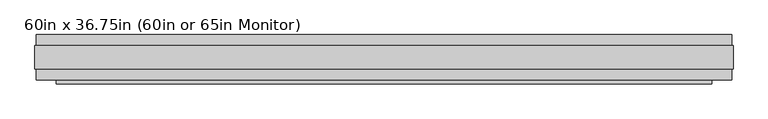
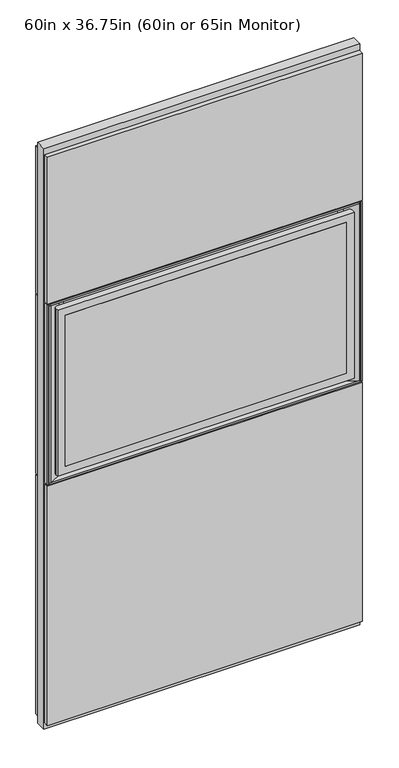
"""IFC4 building model written with IfcOpenShell, lengths in millimetres: plate geometry, 60in x 36.75in (60in or 65in Monitor)."""

import ifcopenshell
import ifcopenshell.guid

model = None  # the IFC model being written
_history = None  # IfcOwnerHistory: only IFC2X3 demands one
_inside = {}  # id of a spatial element -> (the spatial element, [elements in it])
_under = {}  # id of a project, library or spatial element -> (it, [spatial elements below it])
_declared = {}  # id of a project -> (the project, [libraries it declares])
_typed = {}  # id of a type object -> (the type object, [elements of that type])
_made_of = {}  # id of a material, layer set ... -> (it, [elements and type objects made of it])


def new_model(schema):
    """Start an empty IFC model of exactly this schema.

    Asked for "IFC4X3", IfcOpenShell would pick the latest addendum, in which some entities
    have other attributes; the version numbers below select the first issue.
    IFC2X3 requires an IfcOwnerHistory on every rooted entity: one is made here for all.
    """
    global model, _history
    if schema == "IFC4X3":
        model = ifcopenshell.file(schema_version=(4, 3, 0, 0))
    else:
        model = ifcopenshell.file(schema=schema)
    _inside.clear()
    _under.clear()
    _declared.clear()
    _typed.clear()
    _made_of.clear()
    _history = None
    if model.schema == "IFC2X3":
        org = make("IfcOrganization", Name="unknown")
        user = make(
            "IfcPersonAndOrganization",
            ThePerson=make("IfcPerson", FamilyName="unknown"),
            TheOrganization=org,
        )
        app = make(
            "IfcApplication",
            ApplicationDeveloper=org,
            Version="unknown",
            ApplicationFullName="unknown",
            ApplicationIdentifier="unknown",
        )
        _history = make(
            "IfcOwnerHistory",
            OwningUser=user,
            OwningApplication=app,
            ChangeAction="ADDED",
            CreationDate=0,
        )
    return model


def make(cls, **values):
    """One entity of the class cls with the attributes given. An attribute that is None is left unset."""
    return model.create_entity(
        cls, **{name: value for name, value in values.items() if value is not None}
    )


def rooted(cls, **values):
    """An entity with a GlobalId (a new one), such as an element, a storey or a relation."""
    return make(cls, GlobalId=ifcopenshell.guid.new(), OwnerHistory=_history, **values)


def si_unit(unit_type, name, prefix=None):
    """IfcSIUnit, for example si_unit("LENGTHUNIT", "METRE", prefix="MILLI")."""
    return make("IfcSIUnit", UnitType=unit_type, Prefix=prefix, Name=name)


def assignment(units):
    """IfcUnitAssignment: the units of a project."""
    return None if units is None else make("IfcUnitAssignment", Units=units)


def point(xyz):
    """IfcCartesianPoint."""
    return None if xyz is None else make("IfcCartesianPoint", Coordinates=xyz)


def direction(xyz):
    """IfcDirection."""
    return None if xyz is None else make("IfcDirection", DirectionRatios=xyz)


def frame(location, z_axis=None, x_axis=None):
    """IfcAxis2Placement3D, a coordinate frame: its origin and axes. An axis left out is left unset."""
    return make(
        "IfcAxis2Placement3D",
        Location=point(location),
        Axis=direction(z_axis),
        RefDirection=direction(x_axis),
    )


def frame_2d(location, x_axis=None):
    """IfcAxis2Placement2D, a coordinate frame in the plane: its origin and x axis."""
    return make(
        "IfcAxis2Placement2D", Location=point(location), RefDirection=direction(x_axis)
    )


def origin():
    """The frame at (0, 0, 0) with its axes left unset."""
    return frame((0.0, 0.0, 0.0))


def place(relative_to, where):
    """IfcLocalPlacement: puts the frame where relative to a parent placement (None: the world)."""
    return make(
        "IfcLocalPlacement", PlacementRelTo=relative_to, RelativePlacement=where
    )


def context(
    kind, dimensions, precision=None, world=None, true_north=None, identifier=None
):
    """IfcGeometricRepresentationContext, for example the 3D "Model" context."""
    return make(
        "IfcGeometricRepresentationContext",
        ContextIdentifier=identifier,
        ContextType=kind,
        CoordinateSpaceDimension=dimensions,
        Precision=precision,
        WorldCoordinateSystem=world,
        TrueNorth=true_north,
    )


def project(units=None, contexts=None):
    """IfcProject with its units and contexts."""
    return rooted(
        "IfcProject",
        Name="project",
        RepresentationContexts=contexts,
        UnitsInContext=assignment(units),
    )


def spatial(cls, under=None, at=None, **own):
    """A site, building, storey or space (cls), placed at a placement, below another one or the project."""
    s = rooted(cls, ObjectPlacement=at, **own)
    if under is not None:
        _under.setdefault(under.id(), (under, []))[1].append(s)
    return s


def polyline(points):
    """IfcPolyline through the points."""
    return make("IfcPolyline", Points=[point(p) for p in points])


def circle_curve(where, radius):
    """IfcCircle in the frame where."""
    return make("IfcCircle", Position=where, Radius=radius)


def trimmed(basis, trim1, trim2, sense, master):
    """IfcTrimmedCurve: the piece of a basis curve between two trims."""
    return make(
        "IfcTrimmedCurve",
        BasisCurve=basis,
        Trim1=trim1,
        Trim2=trim2,
        SenseAgreement=sense,
        MasterRepresentation=master,
    )


def segment(curve, same_sense, transition):
    """IfcCompositeCurveSegment."""
    return make(
        "IfcCompositeCurveSegment",
        Transition=transition,
        SameSense=same_sense,
        ParentCurve=curve,
    )


def composite_curve(segments, self_intersect=None):
    """IfcCompositeCurve: segments joined end to end."""
    return make("IfcCompositeCurve", Segments=segments, SelfIntersect=self_intersect)


def outline(outer, holes=None, kind="AREA"):
    """IfcArbitraryClosedProfileDef: a profile drawn as a closed curve; with holes, ...WithVoids."""
    if holes is None:
        return make("IfcArbitraryClosedProfileDef", ProfileType=kind, OuterCurve=outer)
    return make(
        "IfcArbitraryProfileDefWithVoids",
        ProfileType=kind,
        OuterCurve=outer,
        InnerCurves=holes,
    )


def extrude(swept, where, along, depth):
    """IfcExtrudedAreaSolid: the profile swept, set in the frame where, extruded along a direction by depth."""
    return make(
        "IfcExtrudedAreaSolid",
        SweptArea=swept,
        Position=where,
        ExtrudedDirection=direction(along),
        Depth=depth,
    )


def faces_of(points, faces, orient=None, outer=None):
    """IfcFace entities. A face is a list of loops; a loop is a list of indices into points, from 0.

    orient and outer hold one flag for each loop. By default every Orientation is true, the
    first loop of a face is its IfcFaceOuterBound and the others are IfcFaceBound.
    """
    made = []
    for i, loops in enumerate(faces):
        bounds = []
        for j, loop in enumerate(loops):
            is_outer = j == 0 if outer is None else outer[i][j]
            bounds.append(
                make(
                    "IfcFaceOuterBound" if is_outer else "IfcFaceBound",
                    Bound=make("IfcPolyLoop", Polygon=[points[k] for k in loop]),
                    Orientation=True if orient is None else orient[i][j],
                )
            )
        made.append(make("IfcFace", Bounds=bounds))
    return made


def faceted_brep(points, faces, orient=None, outer=None, voids=None):
    """IfcFacetedBrep: a solid bounded by flat faces; with voids (closed shells), ...WithVoids."""
    shared = [point(p) for p in points]
    hull = make("IfcClosedShell", CfsFaces=faces_of(shared, faces, orient, outer))
    if voids is None:
        return make("IfcFacetedBrep", Outer=hull)
    return make(
        "IfcFacetedBrepWithVoids",
        Outer=hull,
        Voids=[
            make(cls, CfsFaces=faces_of(shared, fs, o, b)) for cls, fs, o, b in voids
        ],
    )


def shape(context_of_items, identifier, shape_type, items):
    """IfcShapeRepresentation: the items that make up one representation, for example the "Body"."""
    return make(
        "IfcShapeRepresentation",
        ContextOfItems=context_of_items,
        RepresentationIdentifier=identifier,
        RepresentationType=shape_type,
        Items=items,
    )


def source(mapping_origin, context_of_items, identifier, shape_type, items):
    """IfcRepresentationMap: a shape defined once, which mapped items show again and again."""
    return make(
        "IfcRepresentationMap",
        MappingOrigin=mapping_origin,
        MappedRepresentation=shape(context_of_items, identifier, shape_type, items),
    )


def transform(
    local_origin,
    x_axis=None,
    y_axis=None,
    z_axis=None,
    scale=None,
    scale2=None,
    scale3=None,
    uniform=True,
):
    """IfcCartesianTransformationOperator3D, or its non-uniform kind. x_axis, y_axis, z_axis: its Axis1, 2, 3."""
    if uniform:
        return make(
            "IfcCartesianTransformationOperator3D",
            Axis1=direction(x_axis),
            Axis2=direction(y_axis),
            LocalOrigin=point(local_origin),
            Scale=scale,
            Axis3=direction(z_axis),
        )
    return make(
        "IfcCartesianTransformationOperator3DnonUniform",
        Axis1=direction(x_axis),
        Axis2=direction(y_axis),
        LocalOrigin=point(local_origin),
        Scale=scale,
        Axis3=direction(z_axis),
        Scale2=scale2,
        Scale3=scale3,
    )


def mapped(mapping_source, mapping_target):
    """IfcMappedItem: shows the shape of a source again, moved by a transform."""
    return make(
        "IfcMappedItem", MappingSource=mapping_source, MappingTarget=mapping_target
    )


def made_of(thing, what):
    """Note that an element or type object is made of a material, layer set ...; save() writes the relation."""
    if what is not None:
        _made_of.setdefault(what.id(), (what, []))[1].append(thing)
    return thing


def element(
    cls,
    number,
    at=None,
    inside=None,
    cuts=None,
    type_object=None,
    material=None,
    context=None,
    identifier="Body",
    shape_type=None,
    held_by="IfcProductDefinitionShape",
    body=None,
    shapes=None,
    **own,
):
    """One element of the class cls, such as IfcWall. Its Tag is "e" and its number.

    at: its placement. inside: the storey or other place that contains it. cuts: it is an
    opening in that element (IfcRelVoidsElement). A single representation is given by context,
    identifier, shape_type and body (its items); several are given by shapes. held_by: the class
    of the entity that holds the representations. save() writes the other relations.
    """
    e = rooted(cls, Tag="e%d" % number, ObjectPlacement=at, **own)
    if body is not None:
        shapes = [shape(context, identifier, shape_type, body)]
    if shapes is not None:
        e.Representation = make(held_by, Representations=shapes)
    if inside is not None:
        _inside.setdefault(inside.id(), (inside, []))[1].append(e)
    if cuts is not None:
        rooted(
            "IfcRelVoidsElement", RelatingBuildingElement=cuts, RelatedOpeningElement=e
        )
    if type_object is not None:
        _typed.setdefault(type_object.id(), (type_object, []))[1].append(e)
    return made_of(e, material)


def aggregate(whole, parts):
    """IfcRelAggregates: a whole, such as a stair, and the parts it consists of."""
    return rooted("IfcRelAggregates", RelatingObject=whole, RelatedObjects=parts)


def save(model, path):
    """Write the relations noted so far, then the file.

    IfcRelAggregates (storeys below a building ...), IfcRelContainedInSpatialStructure (elements
    in a storey), IfcRelDefinesByType, IfcRelAssociatesMaterial and IfcRelDeclares: one each for
    every whole, place, type object, material and project.
    """
    for whole, parts in _under.values():
        aggregate(whole, parts)
    for where, things in _inside.values():
        rooted(
            "IfcRelContainedInSpatialStructure",
            RelatedElements=things,
            RelatingStructure=where,
        )
    for kind, things in _typed.values():
        rooted("IfcRelDefinesByType", RelatedObjects=things, RelatingType=kind)
    for what, things in _made_of.values():
        rooted("IfcRelAssociatesMaterial", RelatedObjects=things, RelatingMaterial=what)
    for by, libraries in _declared.values():
        rooted("IfcRelDeclares", RelatingContext=by, RelatedDefinitions=libraries)
    model.write(path)


def plane_surface(at):
    """IfcPlane: the flat surface through the origin of the frame at, square to its z axis."""
    return make("IfcPlane", Position=at)


def cylinder_surface(at, radius):
    """IfcCylindricalSurface: all points at the distance radius from the z axis of the frame at."""
    return make("IfcCylindricalSurface", Position=at, Radius=radius)


def advanced_brep(points, edges, surfaces, faces):
    """IfcAdvancedBrep: a solid bounded by faces that lie on surfaces and meet in shared edges.

    An edge is (start, end): straight between two places in points (the first is 0);
    or (start, end, curve); or (start, end, curve, False) where it runs against its curve.
    A face is (place in surfaces, loops), or (place, loops, False) where it looks against
    its surface's normal. A loop lists edges by number (the first is 1), with a minus sign
    where the edge is run from its end to its start. The first loop is the outer one.
    """
    corners = [point(p) for p in points]
    vertices = [make("IfcVertexPoint", VertexGeometry=c) for c in corners]
    made = []
    for start, end, *more in edges:
        made.append(
            make(
                "IfcEdgeCurve",
                EdgeStart=vertices[start],
                EdgeEnd=vertices[end],
                EdgeGeometry=more[0] if more else make("IfcPolyline", Points=[corners[start], corners[end]]),
                SameSense=more[1] if len(more) > 1 else True,
            )
        )
    hull = []
    for where, loops, *sense in faces:
        bounds = []
        for j, loop in enumerate(loops):
            ring = [make("IfcOrientedEdge", EdgeElement=made[abs(k) - 1], Orientation=k > 0) for k in loop]
            bounds.append(
                make(
                    "IfcFaceOuterBound" if j == 0 else "IfcFaceBound",
                    Bound=make("IfcEdgeLoop", EdgeList=ring),
                    Orientation=True,
                )
            )
        hull.append(make("IfcAdvancedFace", Bounds=bounds, FaceSurface=surfaces[where], SameSense=sense[0] if sense else True))
    return make("IfcAdvancedBrep", Outer=make("IfcClosedShell", CfsFaces=hull))


def plate_60in_x_36_75in_60in_or_65in_monitor_cc830bbf(model_context):
    return source(origin(), model_context, "Body", "SolidModel", [
        advanced_brep(
        [(723.9, -44.7032, 2165.35), (708.66, -29.4632, 2165.35), (-708.66, -29.4632, 2165.35), (-723.9, -44.7032, 2165.35), (-723.9, -58.9272, 2165.35), (723.9, -58.9272, 2165.35), (723.9, -44.7032, 1308.1), (723.9, -58.9272, 1308.1), (-723.9, -58.9272, 1308.1), (-723.9, -44.7032, 1308.1), (-708.66, -29.4632, 1308.1), (708.66, -29.4632, 1308.1), (-685.8, -58.9272, 1346.2), (-685.8, -58.9272, 2127.25), (685.8, -58.9272, 2127.25), (685.8, -58.9272, 1346.2), (-685.8, -56.3872, 2127.25), (-685.8, -56.3872, 1346.2), (685.8, -56.3872, 1346.2), (685.8, -56.3872, 2127.25)],
        [
            (0, 1, circle_curve(frame((708.66, -44.7032, 2165.35), z_axis=(0.0, 0.0, 1.0), x_axis=(0.0, -1.0000000000000007, 0.0)), 15.24)),
            (1, 2),
            (2, 3, circle_curve(frame((-708.66, -44.7032, 2165.35), z_axis=(0.0, 0.0, 1.0), x_axis=(0.0, -1.0000000000000007, 0.0)), 15.24)),
            (3, 4),
            (4, 5),
            (5, 0),
            (6, 7),
            (7, 8),
            (8, 9),
            (9, 10, circle_curve(frame((-708.66, -44.7032, 1308.1), z_axis=(0.0, 0.0, -1.0), x_axis=(0.0, -1.0000000000000007, 0.0)), 15.24)),
            (10, 11),
            (11, 6, circle_curve(frame((708.66, -44.7032, 1308.1), z_axis=(0.0, 0.0, -1.0), x_axis=(0.0, -1.0000000000000007, 0.0)), 15.24)),
            (0, 6),
            (11, 1),
            (10, 2),
            (9, 3),
            (8, 4),
            (7, 5),
            (12, 13),
            (13, 14),
            (14, 15),
            (15, 12),
            (16, 17),
            (17, 18),
            (18, 19),
            (19, 16),
            (16, 13),
            (12, 17),
            (15, 18),
            (14, 19),
        ],
        [
            plane_surface(frame((708.66, -59.9432, 2165.35), z_axis=(0.0, 0.0, 1.0), x_axis=(1.0, 0.0, 0.0))),
            plane_surface(frame((708.66, -59.9432, 1308.1), z_axis=(0.0, 0.0, -1.0), x_axis=(-1.0, 0.0, 0.0))),
            cylinder_surface(frame((708.66, -44.7032, 1308.1), z_axis=(0.0, 0.0, 1.0), x_axis=(0.0, -1.0000000000000007, 0.0)), 15.24),
            plane_surface(frame((708.66, -29.4632, 2165.35), z_axis=(0.0, 1.0, 0.0), x_axis=(0.0, 0.0, -1.0))),
            cylinder_surface(frame((-708.66, -44.7032, 1308.1), z_axis=(0.0, 0.0, 1.0), x_axis=(0.0, -1.0000000000000007, 0.0)), 15.24),
            plane_surface(frame((-723.9, -44.7032, 2165.35), z_axis=(-1.0, 0.0, 0.0), x_axis=(0.0, 0.0, -1.0))),
            plane_surface(frame((-723.9, -58.9272, 2165.35), z_axis=(0.0, -1.0, 0.0), x_axis=(0.0, 0.0, -1.0))),
            plane_surface(frame((723.9, -58.9272, 2165.35), z_axis=(1.0, 0.0, 0.0), x_axis=(0.0, 0.0, -1.0))),
            plane_surface(frame((-685.8, -56.3872, 2127.25), z_axis=(0.0, -1.0, 0.0), x_axis=(0.0, 0.0, 1.0))),
            plane_surface(frame((-685.8, -58.9272, 2127.25), z_axis=(1.0, 0.0, 0.0), x_axis=(0.0, 1.0, 0.0))),
            plane_surface(frame((-685.8, -58.9272, 1346.2), z_axis=(0.0, 0.0, 1.0), x_axis=(0.0, 1.0, 0.0))),
            plane_surface(frame((685.8, -58.9272, 1346.2), z_axis=(-1.0, 0.0, 0.0), x_axis=(0.0, 1.0, 0.0))),
            plane_surface(frame((685.8, -58.9272, 2127.25), z_axis=(0.0, 0.0, -1.0), x_axis=(0.0, 1.0, 0.0))),
        ],
        [
            (0, [[1, 2, 3, 4, 5, 6]]),
            (1, [[7, 8, 9, 10, 11, 12]]),
            (2, [[-1, 13, -12, 14]]),
            (3, [[-2, -14, -11, 15]]),
            (4, [[-3, -15, -10, 16]]),
            (5, [[-4, -16, -9, 17]]),
            (6, [[-5, -17, -8, 18], [19, 20, 21, 22]]),
            (7, [[-6, -18, -7, -13]]),
            (8, [[23, 24, 25, 26]]),
            (9, [[-23, 27, -19, 28]]),
            (10, [[-24, -28, -22, 29]]),
            (11, [[-25, -29, -21, 30]]),
            (12, [[-26, -30, -20, -27]]),
        ],
    ),
        extrude(outline(polyline([(685.8, -58.9272), (-685.8, -58.9272), (-685.8, -56.3872), (685.8, -56.3872), (685.8, -58.9272)])), frame((0.0, 0.0, 1346.2), z_axis=(0.0, 0.0, 1.0), x_axis=(1.0, 0.0, 0.0)), (0.0, 0.0, 1.0), 781.05),
        extrude(outline(polyline([(-768.5151, -25.9961), (768.5151, -25.9961), (768.5151, -49.9991), (-768.5151, -49.9991), (-768.5151, -25.9961)])), frame((0.0, 0.0, 2206.4599), z_axis=(0.0, 0.0, 1.0), x_axis=(1.0, 0.0, 0.0)), (0.0, 0.0, 1.0), 758.7361),
        extrude(outline(polyline([(-768.5151, -25.9961), (-765.0099, -25.9961), (-765.0099, -49.9991), (-768.5151, -49.9991), (-768.5151, -25.9961)])), frame((0.0, 0.0, 1273.0099), z_axis=(0.0, 0.0, 1.0), x_axis=(1.0, 0.0, 0.0)), (0.0, 0.0, 1.0), 927.4302),
        extrude(outline(polyline([(765.0099, -25.9961), (768.5151, -25.9961), (768.5151, -49.9991), (765.0099, -49.9991), (765.0099, -25.9961)])), frame((0.0, 0.0, 1273.0099), z_axis=(0.0, 0.0, 1.0), x_axis=(1.0, 0.0, 0.0)), (0.0, 0.0, 1.0), 927.4302),
        extrude(outline(polyline([(768.5151, 25.9977), (-768.5151, 25.9977), (-768.5151, 50.0007), (768.5151, 50.0007), (768.5151, 25.9977)])), frame((0.0, 0.0, 32.004), z_axis=(0.0, 0.0, 1.0), x_axis=(1.0, 0.0, 0.0)), (0.0, 0.0, 1.0), 1234.9861),
        extrude(outline(polyline([(768.5151, 25.9977), (-768.5151, 25.9977), (-768.5151, 50.0007), (768.5151, 50.0007), (768.5151, 25.9977)])), frame((0.0, 0.0, 1273.0099), z_axis=(0.0, 0.0, 1.0), x_axis=(1.0, 0.0, 0.0)), (0.0, 0.0, 1.0), 927.4302),
        faceted_brep([(-771.525, -25.9961, 0.0), (771.525, -25.9961, 0.0), (771.525, -25.9961, 2997.2), (-771.525, -25.9961, 2997.2), (-758.9901, -25.9961, 2200.4401), (758.9901, -25.9961, 2200.4401), (758.9901, -25.9961, 1273.0099), (-758.9901, -25.9961, 1273.0099), (-771.525, 25.9977, 0.0), (-771.525, 25.9977, 2997.2), (771.525, 25.9977, 2997.2), (771.525, 25.9977, 0.0), (-758.9901, 0.0008, 2200.4401), (-758.9901, 0.0008, 1273.0099), (758.9901, 0.0008, 1273.0099), (758.9901, 0.0008, 2200.4401)], [[[0, 1, 2, 3], [4, 5, 6, 7]], [[8, 9, 10, 11]], [[1, 0, 8, 11]], [[2, 1, 11, 10]], [[3, 2, 10, 9]], [[0, 3, 9, 8]], [[12, 13, 14, 15]], [[12, 15, 5, 4]], [[15, 14, 6, 5]], [[14, 13, 7, 6]], [[13, 12, 4, 7]]]),
        extrude(outline(polyline([(768.5151, 25.9977), (-768.5151, 25.9977), (-768.5151, 50.0007), (768.5151, 50.0007), (768.5151, 25.9977)])), frame((0.0, 0.0, 2206.4599), z_axis=(0.0, 0.0, 1.0), x_axis=(1.0, 0.0, 0.0)), (0.0, 0.0, 1.0), 758.7361),
        extrude(outline(polyline([(-768.5151, -25.9961), (768.5151, -25.9961), (768.5151, -49.9991), (-768.5151, -49.9991), (-768.5151, -25.9961)])), frame((0.0, 0.0, 32.004), z_axis=(0.0, 0.0, 1.0), x_axis=(1.0, 0.0, 0.0)), (0.0, 0.0, 1.0), 1234.9861),
        extrude(outline(composite_curve([segment(polyline([(752.992043, -49.9991), (693.8596151, -18.6227454)]), True, "CONTINUOUS"), segment(trimmed(circle_curve(frame_2d((669.4888433, -64.5523291)), 51.9948188), [point((693.8596151, -18.6227454))], [point((669.4888433, -12.5575104))], True, "CARTESIAN"), True, "CONTINUOUS"), segment(polyline([(669.4888433, -12.5575104), (-669.4888433, -12.5575104)]), True, "CONTINUOUS"), segment(trimmed(circle_curve(frame_2d((-669.4888433, -64.5523292)), 51.9948188), [point((-669.4888433, -12.5575104))], [point((-693.8596152, -18.6227454))], True, "CARTESIAN"), True, "CONTINUOUS"), segment(polyline([(-693.8596152, -18.6227454), (-752.992043, -49.9991), (-758.9901, -49.9991), (-758.9901, -9.5064623), (758.9901, -9.5064623), (758.9901, -49.9991), (752.992043, -49.9991)]), True, "CONTINUOUS")], self_intersect=False)), frame((0.0, 0.0, 1279.0099945), z_axis=(0.0, 0.0, 1.0), x_axis=(1.0, 0.0, 0.0)), (0.0, 0.0, 1.0), 915.430011),
        extrude(outline(polyline([(758.9901, -49.9991), (-758.9901, -49.9991), (-758.9901, -9.5064623), (758.9901, -9.5064623), (758.9901, -49.9991)])), frame((0.0, 0.0, 1273.0099), z_axis=(0.0, 0.0, 1.0), x_axis=(1.0, 0.0, 0.0)), (0.0, 0.0, 1.0), 6.0000945),
        extrude(outline(polyline([(758.9901, -49.9991), (-758.9901, -49.9991), (-758.9901, -9.5064623), (758.9901, -9.5064623), (758.9901, -49.9991)])), frame((0.0, 0.0, 2194.4400055), z_axis=(0.0, 0.0, 1.0), x_axis=(1.0, 0.0, 0.0)), (0.0, 0.0, 1.0), 6.0000945),
    ])


if __name__ == "__main__":
    model = new_model("IFC4")
    model_context = context("Model", 3, world=origin())
    ifc_project = project(units=[si_unit("LENGTHUNIT", "METRE", prefix="MILLI")], contexts=[model_context])
    site = spatial("IfcSite", under=ifc_project)
    building = spatial("IfcBuilding", under=site)
    placement = place(None, origin())
    plate_60in_x_36_75in_60in_or_65in_monitor_shape = plate_60in_x_36_75in_60in_or_65in_monitor_cc830bbf(model_context)
    element("IfcPlate", 1, ObjectType="60in x 36.75in (60in or 65in Monitor)", at=placement, inside=building, context=model_context, shape_type="MappedRepresentation", body=[
        mapped(plate_60in_x_36_75in_60in_or_65in_monitor_shape, transform((0.0, 0.0, 0.0), x_axis=(1.0, 0.0, 0.0), y_axis=(0.0, 1.0, 0.0), z_axis=(0.0, 0.0, 1.0))),
    ])
    save(model, "model.ifc")
